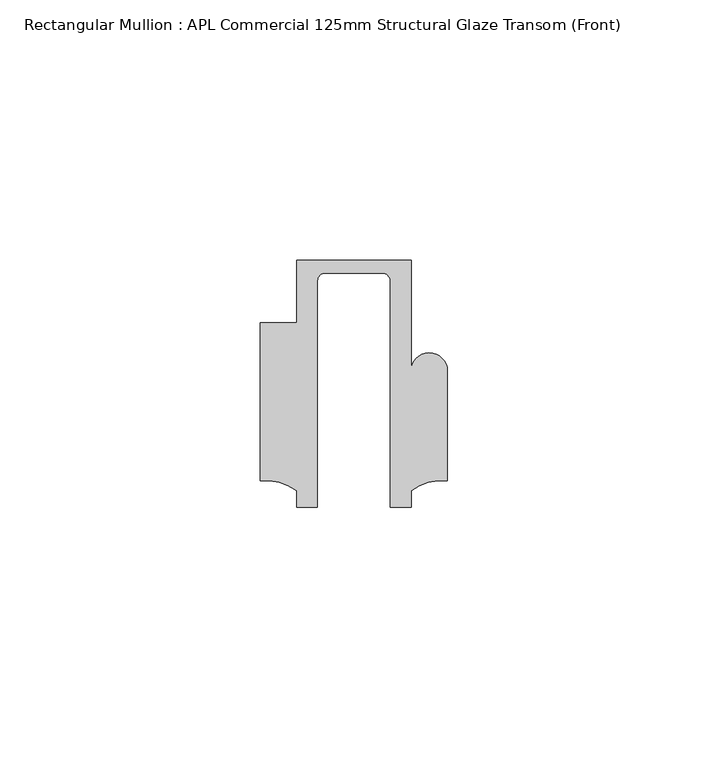
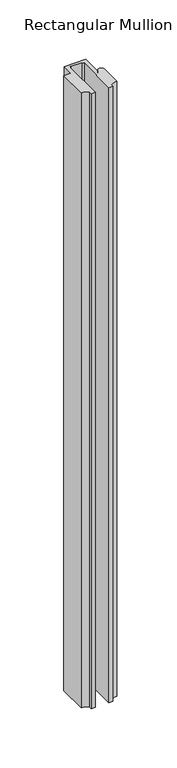
"""IFC4 building model written with IfcOpenShell, lengths in millimetres: member geometry, Rectangular Mullion : APL Commercial 125mm Structural Glaze Transom (Front)."""

from ifc_helpers import new_model, si_unit, frame, origin, place, context, project, spatial, polyline, circle_curve, source, transform, mapped, element, save
from ifc_brep_helpers import plane_surface, cylinder_surface, revolved_surface, advanced_brep


def rectangular_mullion_apl_commercial_125mm_structural_glaze_4b4b72bd(model_context):
    return source(origin(), model_context, "Body", "AdvancedBrep", [
        advanced_brep(
        [(-11.0000151, 27.0, 0.0), (-11.0000151, 15.0006281, 0.0), (-17.9999542, 15.0006281, 0.0), (-17.9999542, -15.3797475, 0.0), (-10.9999994, -17.3125325, 0.0), (-10.9999994, -20.5, 0.0), (-6.9999853, -20.5, 0.0), (-6.9999853, 22.9976091, 0.0), (-5.4999873, 24.5, 0.0), (5.4999872, 24.5, 0.0), (6.9999849, 22.9973451, 0.0), (6.9999849, -20.5, 0.0), (11.0000151, -20.5, 0.0), (11.0000151, -17.3125212, 0.0), (17.9999542, -15.3797475, 0.0), (17.9999542, 5.684606, 0.0), (11.001071, 5.5848769, 0.0), (11.001071, 27.0, 0.0), (-11.0000151, 27.0, -657.1973514), (11.001071, 27.0, -657.1973514), (11.001071, 5.5848769, -657.1973514), (17.9999091, 5.6750512, -657.1973514), (17.9999542, -15.3797475, -657.1973514), (11.0000151, -17.3125212, -657.1973514), (11.0000151, -20.5, -657.1973514), (6.9999849, -20.5, -657.1973514), (6.9999849, 22.9973451, -657.1973514), (5.4999872, 24.5, -657.1973514), (-5.4999873, 24.5, -657.1973514), (-6.9999853, 22.9976091, -657.1973514), (-6.9999853, -20.5, -657.1973514), (-10.9999994, -20.5, -657.1973514), (-10.9999994, -17.3125325, -657.1973514), (-17.9999542, -15.3797475, -657.1973514), (-17.9999542, 15.0006281, -657.1973514), (-11.0000151, 15.0006281, -657.1973514)],
        [
            (0, 1),
            (1, 2),
            (2, 3),
            (3, 4, circle_curve(frame((-17.109817, -25.7981812, 0.0), z_axis=(0.0, 0.0, -1.0), x_axis=(0.0, 1.0, 0.0)), 10.4563907)),
            (4, 5),
            (5, 6),
            (6, 7),
            (7, 8, circle_curve(frame((-5.4999873, 23.0, 0.0), z_axis=(0.0, 0.0, -1.0), x_axis=(2.7320010112268853e-08, 0.9999999999999997, 0.0)), 1.5)),
            (8, 9),
            (9, 10, circle_curve(frame((5.4999872, 23.0, 0.0), z_axis=(0.0, 0.0, -1.0), x_axis=(0.9999999999999986, -5.463622857820516e-08, 0.0)), 1.5)),
            (10, 11),
            (11, 12),
            (12, 13),
            (13, 14, circle_curve(frame((17.109817, -25.7981812, 0.0), z_axis=(0.0, 0.0, -1.0), x_axis=(0.0, 1.0, 0.0)), 10.4563907)),
            (14, 15),
            (15, 16, circle_curve(frame((14.4999091, 5.6750512, 0.0), z_axis=(0.0, 0.0, 1.0), x_axis=(-0.9999826028573957, -0.005898642432633649, 0.0)), 3.5)),
            (16, 17),
            (17, 0),
            (18, 19),
            (19, 20),
            (20, 21, circle_curve(frame((14.4999091, 5.6750512, -657.1973514), z_axis=(0.0, 0.0, -1.0), x_axis=(-0.9999826028573957, -0.005898642432633649, 0.0)), 3.5)),
            (21, 22),
            (22, 23, circle_curve(frame((17.109817, -25.7981812, -657.1973514), z_axis=(0.0, 0.0, 1.0), x_axis=(0.0, 1.0, 0.0)), 10.4563907)),
            (23, 24),
            (24, 25),
            (25, 26),
            (26, 27, circle_curve(frame((5.4999872, 23.0, -657.1973514), z_axis=(0.0, 0.0, 1.0), x_axis=(0.9999999999999986, -5.463622857820516e-08, 0.0)), 1.5)),
            (27, 28),
            (28, 29, circle_curve(frame((-5.4999873, 23.0, -657.1973514), z_axis=(0.0, 0.0, 1.0), x_axis=(2.7320010112268853e-08, 0.9999999999999997, 0.0)), 1.5)),
            (29, 30),
            (30, 31),
            (31, 32),
            (32, 33, circle_curve(frame((-17.109817, -25.7981812, -657.1973514), z_axis=(0.0, 0.0, 1.0), x_axis=(0.0, 1.0, 0.0)), 10.4563907)),
            (33, 34),
            (34, 35),
            (35, 18),
            (0, 18),
            (35, 1),
            (34, 2),
            (33, 3),
            (32, 4),
            (31, 5),
            (30, 6),
            (29, 7),
            (28, 8),
            (27, 9),
            (26, 10),
            (25, 11),
            (24, 12),
            (23, 13),
            (22, 14),
            (21, 15),
            (20, 16),
            (19, 17),
        ],
        [
            plane_surface(frame((0.0, -29.1551636, 0.0), z_axis=(0.0, 0.0, 1.0), x_axis=(-1.0, 0.0, 0.0))),
            plane_surface(frame((0.0, -29.1551636, -657.1973514), z_axis=(0.0, 0.0, -1.0), x_axis=(-1.0, 0.0, 0.0))),
            plane_surface(frame((-11.0000151, 27.0, 0.0), z_axis=(-1.0, 0.0, 0.0), x_axis=(0.0, 0.0, -1.0))),
            plane_surface(frame((-11.0000151, 15.0006281, 0.0), z_axis=(0.0, 1.0, 0.0), x_axis=(0.0, 0.0, -1.0))),
            plane_surface(frame((-17.9999542, 15.0006281, 0.0), z_axis=(-1.0, 0.0, 0.0), x_axis=(0.0, 0.0, -1.0))),
            revolved_surface(polyline([(-17.109817, -15.341790499999998, -657.1973514), (-17.109817, -15.341790499999998, 0.0)]), (-17.109817, -25.7981812, 0.0), (0.0, 0.0, -1.0)),
            plane_surface(frame((-10.9999994, -17.3125325, 0.0), z_axis=(-1.0, 0.0, 0.0), x_axis=(0.0, 0.0, -1.0))),
            plane_surface(frame((-10.9999994, -20.5, 0.0), z_axis=(0.0, -1.0, 0.0), x_axis=(0.0, 0.0, -1.0))),
            plane_surface(frame((-6.9999853, -20.5, 0.0), z_axis=(1.0, 0.0, 0.0), x_axis=(0.0, 0.0, -1.0))),
            revolved_surface(polyline([(-5.499987259019985, 24.5, -657.1973514), (-5.499987259019985, 24.5, 0.0)]), (-5.4999873, 23.0, 0.0), (0.0, 0.0, -1.0)),
            plane_surface(frame((-5.4999873, 24.5, 0.0), z_axis=(0.0, -1.0, 0.0), x_axis=(0.0, 0.0, -1.0))),
            revolved_surface(polyline([(6.999987199999998, 22.999999918045656, -657.1973514), (6.999987199999998, 22.999999918045656, 0.0)]), (5.4999872, 23.0, 0.0), (0.0, 0.0, -1.0)),
            plane_surface(frame((6.9999849, 22.9973451, 0.0), z_axis=(-1.0, 0.0, 0.0), x_axis=(0.0, 0.0, -1.0))),
            plane_surface(frame((6.9999849, -20.5, 0.0), z_axis=(0.0, -1.0, 0.0), x_axis=(0.0, 0.0, -1.0))),
            plane_surface(frame((11.0000151, -20.5, 0.0), z_axis=(1.0, 0.0, 0.0), x_axis=(0.0, 0.0, -1.0))),
            revolved_surface(polyline([(17.109817, -15.341790499999998, -657.1973514), (17.109817, -15.341790499999998, 0.0)]), (17.109817, -25.7981812, 0.0), (0.0, 0.0, -1.0)),
            plane_surface(frame((17.9999542, -15.3797475, 0.0), z_axis=(1.0, 0.0, 0.0), x_axis=(0.0, 0.0, -1.0))),
            cylinder_surface(frame((14.4999091, 5.6750512, 0.0), z_axis=(0.0, 0.0, 1.0), x_axis=(-0.9999826028573957, -0.005898642432633649, 0.0)), 3.5),
            plane_surface(frame((11.001071, 5.5848769, 0.0), z_axis=(1.0, 0.0, 0.0), x_axis=(0.0, 0.0, -1.0))),
            plane_surface(frame((11.001071, 27.0, 0.0), z_axis=(0.0, 1.0, 0.0), x_axis=(0.0, 0.0, -1.0))),
        ],
        [
            (0, [[1, 2, 3, 4, 5, 6, 7, 8, 9, 10, 11, 12, 13, 14, 15, 16, 17, 18]]),
            (1, [[19, 20, 21, 22, 23, 24, 25, 26, 27, 28, 29, 30, 31, 32, 33, 34, 35, 36]]),
            (2, [[-1, 37, -36, 38]]),
            (3, [[-2, -38, -35, 39]]),
            (4, [[-3, -39, -34, 40]]),
            (5, [[-4, -40, -33, 41]]),
            (6, [[-5, -41, -32, 42]]),
            (7, [[-6, -42, -31, 43]]),
            (8, [[-7, -43, -30, 44]]),
            (9, [[-8, -44, -29, 45]]),
            (10, [[-9, -45, -28, 46]]),
            (11, [[-10, -46, -27, 47]]),
            (12, [[-11, -47, -26, 48]]),
            (13, [[-12, -48, -25, 49]]),
            (14, [[-13, -49, -24, 50]]),
            (15, [[-14, -50, -23, 51]]),
            (16, [[-15, -51, -22, 52]]),
            (17, [[-16, -52, -21, 53]]),
            (18, [[-17, -53, -20, 54]]),
            (19, [[-18, -54, -19, -37]]),
        ],
    ),
    ])


if __name__ == "__main__":
    model = new_model("IFC4")
    model_context = context("Model", 3, world=origin())
    ifc_project = project(units=[si_unit("LENGTHUNIT", "METRE", prefix="MILLI")], contexts=[model_context])
    site = spatial("IfcSite", under=ifc_project)
    building = spatial("IfcBuilding", under=site)
    placement = place(None, origin())
    rectangular_mullion_apl_commercial_125mm_structural_glaze_shape = rectangular_mullion_apl_commercial_125mm_structural_glaze_4b4b72bd(model_context)
    element("IfcMember", 1, ObjectType="Rectangular Mullion : APL Commercial 125mm Structural Glaze Transom (Front)", at=placement, inside=building, context=model_context, shape_type="MappedRepresentation", body=[
        mapped(rectangular_mullion_apl_commercial_125mm_structural_glaze_shape, transform((0.0, 0.0, 0.0), x_axis=(1.0, 0.0, 0.0), y_axis=(0.0, 1.0, 0.0), z_axis=(0.0, 0.0, 1.0))),
    ])
    save(model, "model.ifc")
